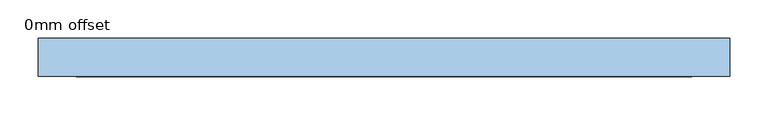
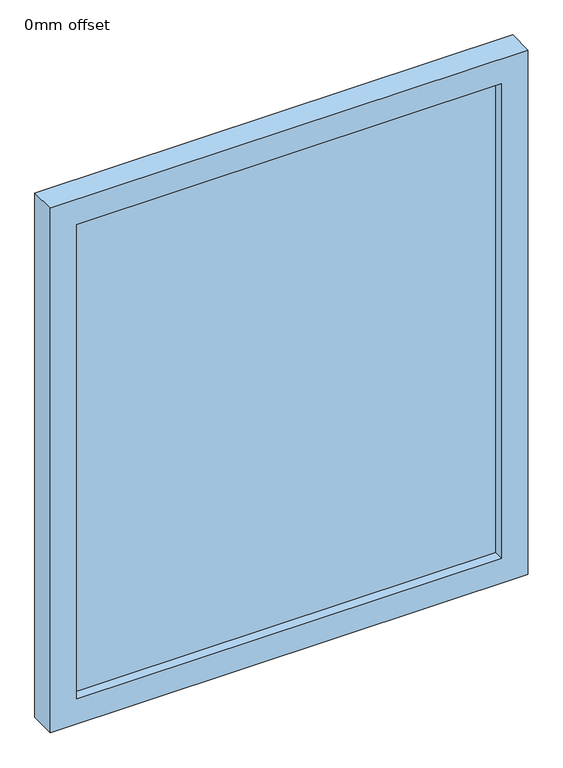
"""IFC4 building model written with IfcOpenShell, lengths in millimetres: window geometry, 0mm offset."""

from ifc_helpers import new_model, si_unit, frame, origin, place, context, project, spatial, polyline, outline, extrude, source, transform, mapped, element, save


def window_0mm_offset_41fad24b(model_context):
    return source(origin(), model_context, "Body", "SweptSolid", [
        extrude(outline(polyline([(402.5, -30.95), (-402.5, -30.95), (-402.5, -18.25), (402.5, -18.25), (402.5, -30.95)])), frame((0.0, 0.0, 50.0), z_axis=(0.0, 0.0, 1.0), x_axis=(1.0, 0.0, 0.0)), (0.0, 0.0, 1.0), 950.0),
        extrude(outline(polyline([(1050.0, -452.5), (0.0, -452.5), (0.0, 452.5), (1050.0, 452.5), (1050.0, -452.5)]), holes=[polyline([(1000.0, -402.5), (1000.0, 402.5), (50.0, 402.5), (50.0, -402.5), (1000.0, -402.5)])]), frame((0.0, -50.0, 0.0), z_axis=(0.0, 1.0, 0.0), x_axis=(0.0, 0.0, 1.0)), (0.0, 0.0, 1.0), 50.0),
    ])


if __name__ == "__main__":
    model = new_model("IFC4")
    model_context = context("Model", 3, world=origin())
    ifc_project = project(units=[si_unit("LENGTHUNIT", "METRE", prefix="MILLI")], contexts=[model_context])
    site = spatial("IfcSite", under=ifc_project)
    building = spatial("IfcBuilding", under=site)
    placement = place(None, origin())
    window_0mm_offset_shape = window_0mm_offset_41fad24b(model_context)
    element("IfcWindow", 1, ObjectType="0mm offset", at=placement, inside=building, context=model_context, shape_type="MappedRepresentation", body=[
        mapped(window_0mm_offset_shape, transform((0.0, 0.0, 0.0), x_axis=(1.0, 0.0, 0.0), y_axis=(0.0, 1.0, 0.0), z_axis=(0.0, 0.0, 1.0))),
    ])
    save(model, "model.ifc")
